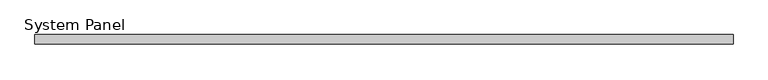
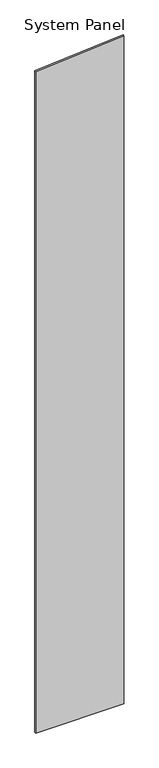
"""IFC4 building model written with IfcOpenShell, lengths in millimetres: plate geometry, System Panel."""

from ifc_helpers import new_model, si_unit, frame, origin, place, context, project, spatial, polyline, outline, extrude, source, transform, mapped, element, save


def system_panel_97cb8272(model_context):
    return source(origin(), model_context, "Body", "SweptSolid", [
        extrude(outline(polyline([(0.0, -746.9513132), (0.0, 746.9513132), (11960.4832527, 746.9513132), (11840.0053496, -746.9513132), (0.0, -746.9513132)])), frame((0.0, -10.0, 0.0), z_axis=(0.0, 1.0, 0.0), x_axis=(0.0, 0.0, 1.0)), (0.0, 0.0, 1.0), 20.0),
    ])


if __name__ == "__main__":
    model = new_model("IFC4")
    model_context = context("Model", 3, world=origin())
    ifc_project = project(units=[si_unit("LENGTHUNIT", "METRE", prefix="MILLI")], contexts=[model_context])
    site = spatial("IfcSite", under=ifc_project)
    building = spatial("IfcBuilding", under=site)
    placement = place(None, origin())
    system_panel_shape = system_panel_97cb8272(model_context)
    element("IfcPlate", 1, ObjectType="System Panel", at=placement, inside=building, context=model_context, shape_type="MappedRepresentation", body=[
        mapped(system_panel_shape, transform((0.0, 0.0, 0.0), x_axis=(1.0, 0.0, 0.0), y_axis=(0.0, 1.0, 0.0), z_axis=(0.0, 0.0, 1.0))),
    ])
    save(model, "model.ifc")
